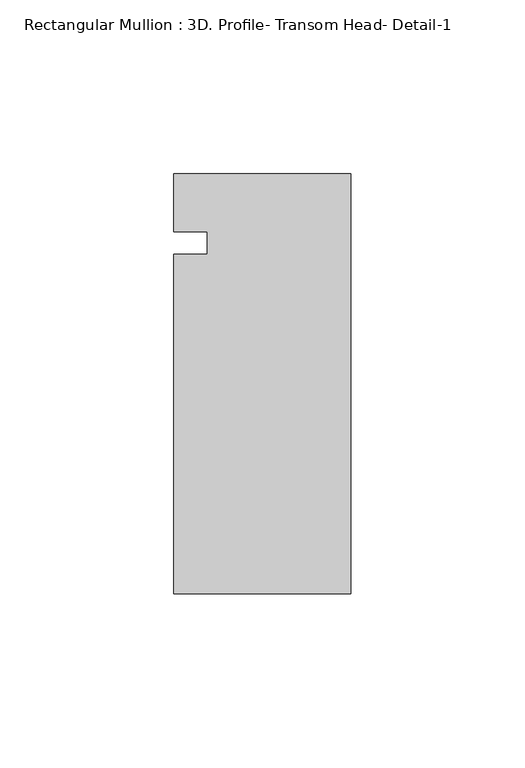
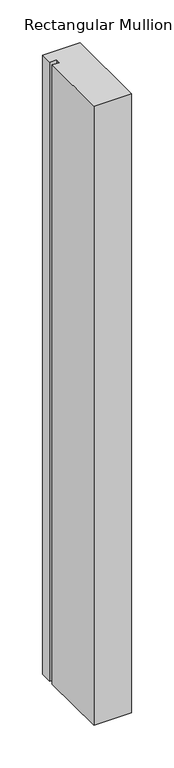
"""IFC4 building model written with IfcOpenShell, lengths in millimetres: member geometry, Rectangular Mullion : 3D. Profile- Transom Head- Detail-1."""

from ifc_helpers import new_model, si_unit, frame, origin, place, context, project, spatial, polyline, outline, extrude, source, transform, mapped, element, save


def rectangular_mullion_3d_profile_transom_head_detail_1_87281b81(model_context):
    return source(origin(), model_context, "Body", "SweptSolid", [
        extrude(outline(polyline([(-41.275, 54.4756698), (-41.275, 60.9159082), (-50.7746, 60.9159082), (-50.7746, 77.6071836), (0.0, 77.6071836), (0.0, -43.0428164), (-50.8, -43.0428164), (-50.8, 54.4756698), (-41.275, 54.4756698)])), frame((0.0, 0.0, -886.717578), z_axis=(0.0, 0.0, 1.0), x_axis=(1.0, 0.0, 0.0)), (0.0, 0.0, 1.0), 886.717578),
    ])


if __name__ == "__main__":
    model = new_model("IFC4")
    model_context = context("Model", 3, world=origin())
    ifc_project = project(units=[si_unit("LENGTHUNIT", "METRE", prefix="MILLI")], contexts=[model_context])
    site = spatial("IfcSite", under=ifc_project)
    building = spatial("IfcBuilding", under=site)
    placement = place(None, origin())
    rectangular_mullion_3d_profile_transom_head_detail_1_shape = rectangular_mullion_3d_profile_transom_head_detail_1_87281b81(model_context)
    element("IfcMember", 1, ObjectType="Rectangular Mullion : 3D. Profile- Transom Head- Detail-1", at=placement, inside=building, context=model_context, shape_type="MappedRepresentation", body=[
        mapped(rectangular_mullion_3d_profile_transom_head_detail_1_shape, transform((0.0, 0.0, 0.0), x_axis=(1.0, 0.0, 0.0), y_axis=(0.0, 1.0, 0.0), z_axis=(0.0, 0.0, 1.0))),
    ])
    save(model, "model.ifc")
